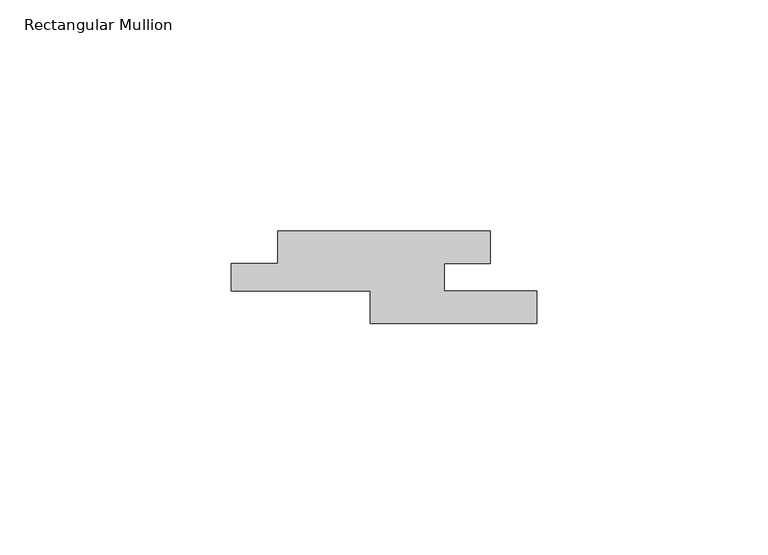
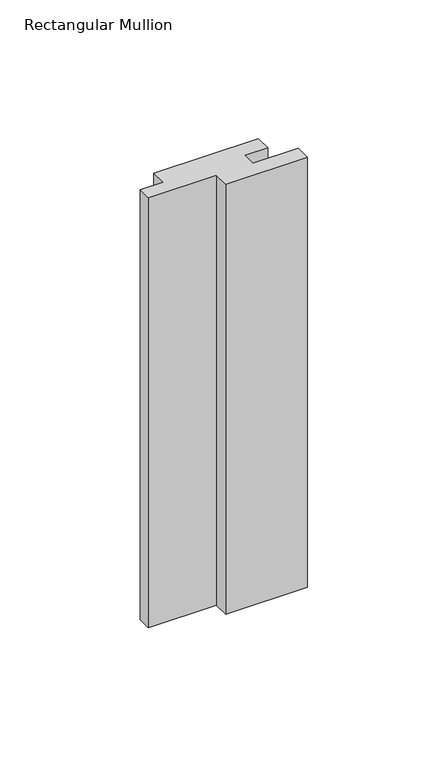
"""IFC4 building model written with IfcOpenShell, lengths in millimetres: member geometry, Rectangular Mullion."""

from ifc_helpers import new_model, si_unit, frame, origin, place, context, project, spatial, polyline, outline, extrude, source, transform, mapped, element, save


def rectangular_mullion_17f84e16(model_context):
    return source(origin(), model_context, "Body", "SweptSolid", [
        extrude(outline(polyline([(-66.0, -7.0), (-56.0, -7.0), (-56.0, 0.0), (-10.0, 0.0), (-10.0, -7.0), (-20.0, -7.0), (-20.0, -13.0), (0.0, -13.0), (0.0, -20.0), (-36.0, -20.0), (-36.0, -13.0), (-66.0, -13.0), (-66.0, -7.0)])), frame((0.0, 0.0, -200.0), z_axis=(0.0, 0.0, 1.0), x_axis=(1.0, 0.0, 0.0)), (0.0, 0.0, 1.0), 200.0),
    ])


if __name__ == "__main__":
    model = new_model("IFC4")
    model_context = context("Model", 3, world=origin())
    ifc_project = project(units=[si_unit("LENGTHUNIT", "METRE", prefix="MILLI")], contexts=[model_context])
    site = spatial("IfcSite", under=ifc_project)
    building = spatial("IfcBuilding", under=site)
    placement = place(None, origin())
    rectangular_mullion_shape = rectangular_mullion_17f84e16(model_context)
    element("IfcMember", 1, ObjectType="Rectangular Mullion", at=placement, inside=building, context=model_context, shape_type="MappedRepresentation", body=[
        mapped(rectangular_mullion_shape, transform((0.0, 0.0, 0.0), x_axis=(1.0, 0.0, 0.0), y_axis=(0.0, 1.0, 0.0), z_axis=(0.0, 0.0, 1.0))),
    ])
    save(model, "model.ifc")
